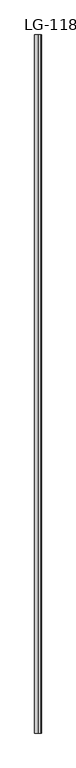
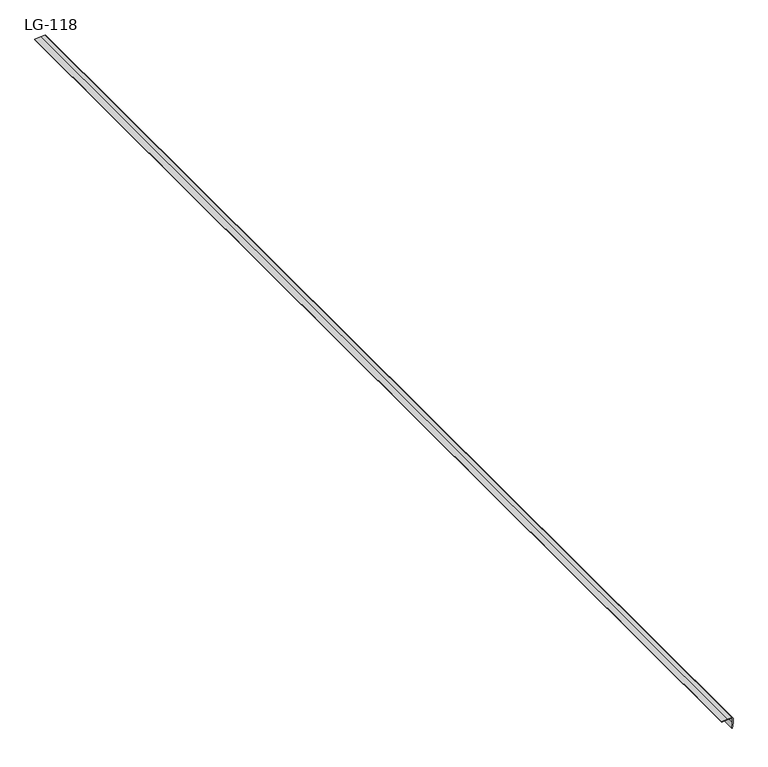
"""IFC4 building model written with IfcOpenShell, lengths in millimetres: proxy geometry, LG-118."""

from ifc_helpers import new_model, si_unit, point, frame, frame_2d, origin, place, context, project, spatial, polyline, circle_curve, trimmed, segment, composite_curve, outline, extrude, source, transform, mapped, element, save


def lg_118_0d48c6db(model_context):
    return source(origin(), model_context, "Body", "SweptSolid", [
        extrude(outline(composite_curve([segment(polyline([(0.9525, -25.8535714), (0.0, -25.8535714), (0.9525, -11.4980357), (1.3266964, -0.3401786)]), True, "CONTINUOUS"), segment(trimmed(circle_curve(frame_2d((-0.3149756, -0.3489997)), 1.6416957), [point((1.3266964, -0.3401786))], [point((-0.3225369, 1.2926786))], True, "CARTESIAN"), True, "CONTINUOUS"), segment(polyline([(-0.3225369, 1.2926786), (-11.4640179, 0.9525), (-25.8195536, 0.0), (-25.8195536, 0.9525), (-11.6000893, 2.6874107), (-0.3219498, 2.8234818)]), True, "CONTINUOUS"), segment(trimmed(circle_curve(frame_2d((-0.3152684, -0.3492926)), 3.1727815), [point((-0.3219498, 2.8234818))], [point((2.8575, -0.3401786))], False, "CARTESIAN"), True, "CONTINUOUS"), segment(polyline([(2.8575, -0.3401786), (2.8575, -11.4980357), (0.9525, -25.8535714)]), True, "CONTINUOUS")], self_intersect=False)), frame((0.0, -1141.4125, 0.0), z_axis=(0.0, 1.0, 0.0), x_axis=(0.0, 0.0, 1.0)), (0.0, 0.0, 1.0), 3021.0125),
    ])


if __name__ == "__main__":
    model = new_model("IFC4")
    model_context = context("Model", 3, world=origin())
    ifc_project = project(units=[si_unit("LENGTHUNIT", "METRE", prefix="MILLI")], contexts=[model_context])
    site = spatial("IfcSite", under=ifc_project)
    building = spatial("IfcBuilding", under=site)
    placement = place(None, origin())
    lg_118_shape = lg_118_0d48c6db(model_context)
    element("IfcBuildingElementProxy", 1, Name="LG-118", ObjectType="LG-118", at=placement, inside=building, context=model_context, shape_type="MappedRepresentation", body=[
        mapped(lg_118_shape, transform((0.0, 0.0, 0.0), x_axis=(1.0, 0.0, 0.0), y_axis=(0.0, 1.0, 0.0), z_axis=(0.0, 0.0, 1.0))),
    ])
    save(model, "model.ifc")
